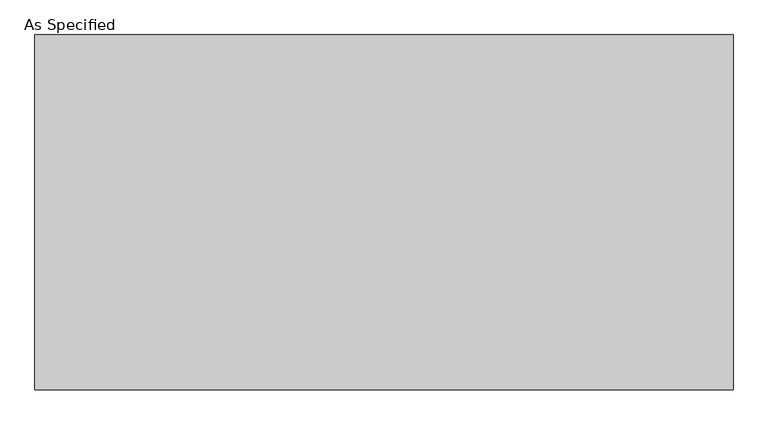
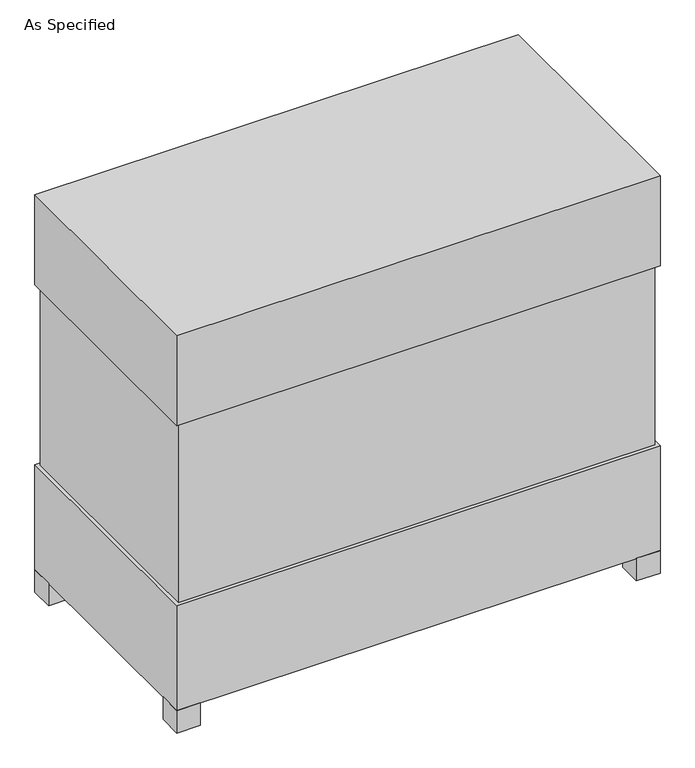
"""IFC4 building model written with IfcOpenShell, lengths in millimetres: proxy geometry, As Specified."""

from ifc_helpers import new_model, si_unit, frame, origin, origin_with_axes, place, context, project, spatial, polyline, outline, extrude, source, transform, mapped, element, save


def as_specified_ba702985(model_context):
    return source(origin(), model_context, "Body", "SweptSolid", [
        extrude(outline(polyline([(763.5875, 382.5875), (763.5875, -382.5875), (-763.5875, -382.5875), (-763.5875, 382.5875), (763.5875, 382.5875)])), frame((0.0, 0.0, 431.8), z_axis=(0.0, 0.0, 1.0), x_axis=(1.0, 0.0, 0.0)), (0.0, 0.0, 1.0), 609.6),
        extrude(outline(polyline([(774.7, 393.7), (774.7, -393.7), (-774.7, -393.7), (-774.7, 393.7), (774.7, 393.7)])), frame((0.0, 0.0, 1041.4), z_axis=(0.0, 0.0, 1.0), x_axis=(1.0, 0.0, 0.0)), (0.0, 0.0, 1.0), 304.8),
        extrude(outline(polyline([(660.4, 228.6), (660.4, 152.4), (584.2, 152.4), (584.2, 228.6), (660.4, 228.6)])), frame((0.0, 0.0, 50.8), z_axis=(0.0, 0.0, 1.0), x_axis=(1.0, 0.0, 0.0)), (0.0, 0.0, 1.0), 25.4),
        extrude(outline(polyline([(660.4, -228.6), (584.2, -228.6), (584.2, -152.4), (660.4, -152.4), (660.4, -228.6)])), frame((0.0, 0.0, 50.8), z_axis=(0.0, 0.0, 1.0), x_axis=(1.0, 0.0, 0.0)), (0.0, 0.0, 1.0), 25.4),
        extrude(outline(polyline([(-698.5, 393.7), (-698.5, 317.5), (-774.7, 317.5), (-774.7, 393.7), (-698.5, 393.7)])), origin_with_axes(), (0.0, 0.0, 1.0), 76.2),
        extrude(outline(polyline([(774.7, 393.7), (774.7, 317.5), (698.5, 317.5), (698.5, 393.7), (774.7, 393.7)])), origin_with_axes(), (0.0, 0.0, 1.0), 76.2),
        extrude(outline(polyline([(774.7, -317.5), (774.7, -393.7), (698.5, -393.7), (698.5, -317.5), (774.7, -317.5)])), origin_with_axes(), (0.0, 0.0, 1.0), 76.2),
        extrude(outline(polyline([(-698.5, -317.5), (-698.5, -393.7), (-774.7, -393.7), (-774.7, -317.5), (-698.5, -317.5)])), origin_with_axes(), (0.0, 0.0, 1.0), 76.2),
        extrude(outline(polyline([(774.7, 393.7), (774.7, -393.7), (-774.7, -393.7), (-774.7, 393.7), (774.7, 393.7)])), frame((0.0, 0.0, 76.2), z_axis=(0.0, 0.0, 1.0), x_axis=(1.0, 0.0, 0.0)), (0.0, 0.0, 1.0), 355.6),
    ])


if __name__ == "__main__":
    model = new_model("IFC4")
    model_context = context("Model", 3, world=origin())
    ifc_project = project(units=[si_unit("LENGTHUNIT", "METRE", prefix="MILLI")], contexts=[model_context])
    site = spatial("IfcSite", under=ifc_project)
    building = spatial("IfcBuilding", under=site)
    placement = place(None, origin())
    as_specified_shape = as_specified_ba702985(model_context)
    element("IfcBuildingElementProxy", 1, Name="As Specified", ObjectType="As Specified", at=placement, inside=building, context=model_context, shape_type="MappedRepresentation", body=[
        mapped(as_specified_shape, transform((0.0, 0.0, 0.0), x_axis=(1.0, 0.0, 0.0), y_axis=(0.0, 1.0, 0.0), z_axis=(0.0, 0.0, 1.0))),
    ])
    save(model, "model.ifc")
